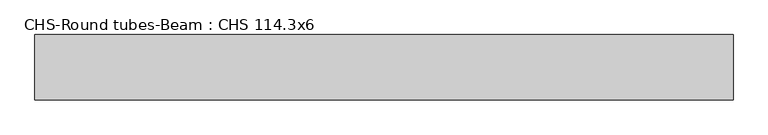
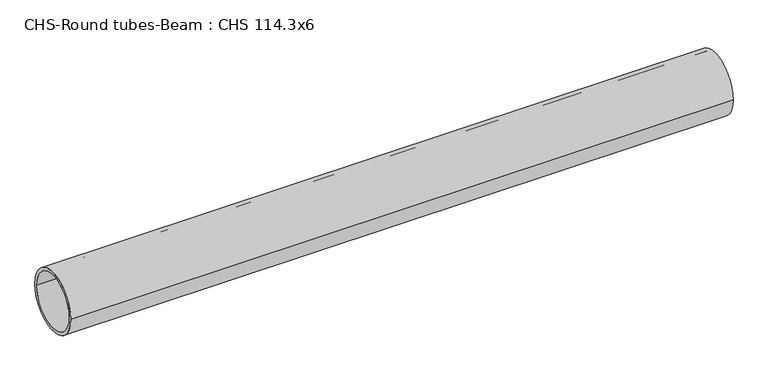
"""IFC4 building model written with IfcOpenShell, lengths in millimetres: beam geometry, CHS-Round tubes-Beam : CHS 114.3x6."""

from ifc_helpers import new_model, si_unit, point, frame, origin, origin_2d, place, context, project, spatial, circle_curve, trimmed, segment, composite_curve, outline, extrude, source, transform, mapped, element, save


def chs_round_tubes_beam_chs_114_3x6_21e5f3cf(model_context):
    return source(origin(), model_context, "Body", "SweptSolid", [
        extrude(outline(composite_curve([segment(trimmed(circle_curve(origin_2d(), 57.15), [point((57.15, 0.0))], [point((-57.15, 0.0))], False, "CARTESIAN"), True, "CONTINUOUS"), segment(trimmed(circle_curve(origin_2d(), 57.15), [point((-57.15, 0.0))], [point((57.15, 0.0))], False, "CARTESIAN"), True, "CONTINUOUS")], self_intersect=False), holes=[composite_curve([segment(trimmed(circle_curve(origin_2d(), 51.15), [point((51.15, 0.0))], [point((-51.15, 0.0))], True, "CARTESIAN"), True, "CONTINUOUS"), segment(trimmed(circle_curve(origin_2d(), 51.15), [point((-51.15, 0.0))], [point((51.15, 0.0))], True, "CARTESIAN"), True, "CONTINUOUS")], self_intersect=False)]), frame((-603.5185482, 0.0, 0.0), z_axis=(1.0, 0.0, 0.0), x_axis=(0.0, 1.0, 0.0)), (0.0, 0.0, 1.0), 1219.1225708),
    ])


if __name__ == "__main__":
    model = new_model("IFC4")
    model_context = context("Model", 3, world=origin())
    ifc_project = project(units=[si_unit("LENGTHUNIT", "METRE", prefix="MILLI")], contexts=[model_context])
    site = spatial("IfcSite", under=ifc_project)
    building = spatial("IfcBuilding", under=site)
    placement = place(None, origin())
    chs_round_tubes_beam_chs_114_3x6_shape = chs_round_tubes_beam_chs_114_3x6_21e5f3cf(model_context)
    element("IfcBeam", 1, ObjectType="CHS-Round tubes-Beam : CHS 114.3x6", at=placement, inside=building, context=model_context, shape_type="MappedRepresentation", body=[
        mapped(chs_round_tubes_beam_chs_114_3x6_shape, transform((0.0, 0.0, 0.0), x_axis=(1.0, 0.0, 0.0), y_axis=(0.0, 1.0, 0.0), z_axis=(0.0, 0.0, 1.0))),
    ])
    save(model, "model.ifc")
